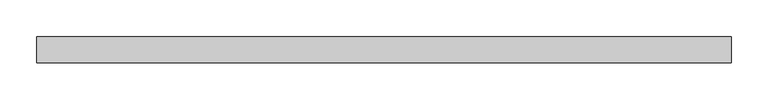
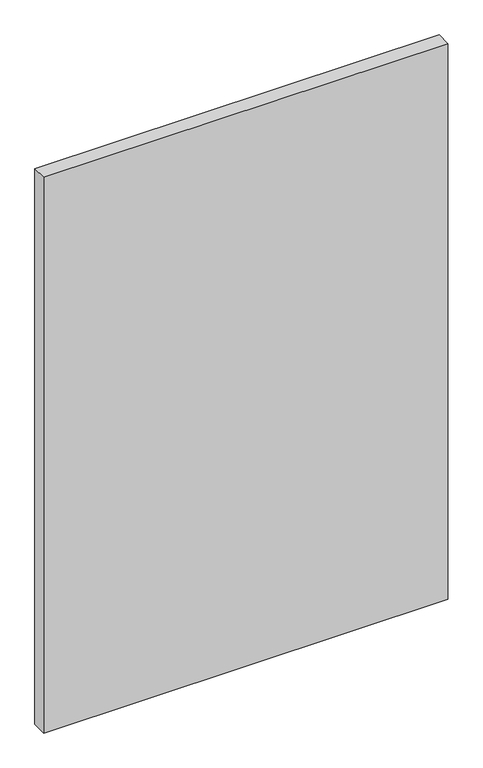
"""IFC4 building model written with IfcOpenShell, lengths in millimetres: plate geometry."""

from ifc_helpers import new_model, si_unit, origin, origin_with_axes, place, context, project, spatial, polyline, outline, extrude, source, transform, mapped, element, save


def plate_477168bb(model_context):
    return source(origin(), model_context, "Body", "SweptSolid", [
        extrude(outline(polyline([(471.1607143, -17.5), (-471.1607143, -17.5), (-471.1607143, 17.5), (471.1607143, 17.5), (471.1607143, -17.5)])), origin_with_axes(), (0.0, 0.0, 1.0), 1370.0),
    ])


if __name__ == "__main__":
    model = new_model("IFC4")
    model_context = context("Model", 3, world=origin())
    ifc_project = project(units=[si_unit("LENGTHUNIT", "METRE", prefix="MILLI")], contexts=[model_context])
    site = spatial("IfcSite", under=ifc_project)
    building = spatial("IfcBuilding", under=site)
    placement = place(None, origin())
    plate_shape = plate_477168bb(model_context)
    element("IfcPlate", 1, at=placement, inside=building, context=model_context, shape_type="MappedRepresentation", body=[
        mapped(plate_shape, transform((0.0, 0.0, 0.0), x_axis=(1.0, 0.0, 0.0), y_axis=(0.0, 1.0, 0.0), z_axis=(0.0, 0.0, 1.0))),
    ])
    save(model, "model.ifc")
